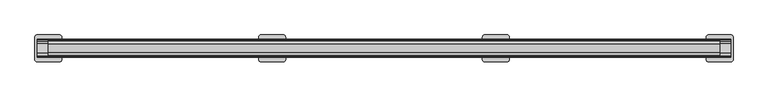
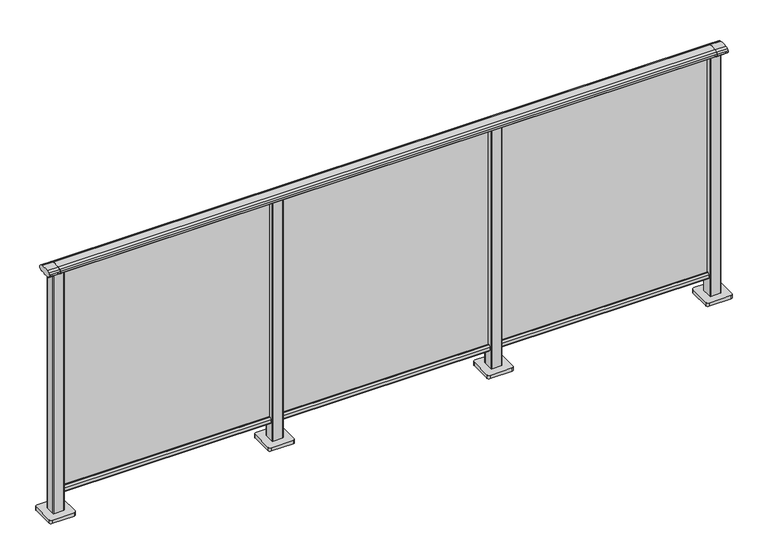
"""IFC4 building model written with IfcOpenShell, lengths in millimetres: railing geometry."""

from ifc_helpers import new_model, si_unit, point, frame, frame_2d, origin, origin_with_axes, place, context, project, spatial, polyline, circle_curve, trimmed, segment, composite_curve, outline, extrude, source, transform, mapped, element, save


def railing_486d9e39(model_context):
    return source(origin(), model_context, "Body", "SweptSolid", [
        extrude(outline(composite_curve([segment(trimmed(circle_curve(frame_2d((9095.3619413, 1153.851602)), 44.999996), [point((9106.0673858, 1197.5596459))], [point((9118.2601573, 1192.5901015))], False, "CARTESIAN"), True, "CONTINUOUS"), segment(trimmed(circle_curve(frame_2d((9109.6097194, 1177.955556)), 17.0), [point((9118.2601573, 1192.5901015))], [point((9124.1544589, 1186.7561556))], False, "CARTESIAN"), True, "CONTINUOUS"), segment(trimmed(circle_curve(frame_2d((9117.0959826, 1182.4852765)), 8.2499997), [point((9124.1544589, 1186.7561556))], [point((9124.1544535, 1178.2143885))], False, "CARTESIAN"), True, "CONTINUOUS"), segment(trimmed(circle_curve(frame_2d((9109.6097251, 1187.0150065)), 17.0), [point((9124.1544535, 1178.2143885))], [point((9118.2601665, 1172.380463))], False, "CARTESIAN"), True, "CONTINUOUS"), segment(trimmed(circle_curve(frame_2d((9095.3619413, 1211.1189571)), 44.999996), [point((9118.2601665, 1172.380463))], [point((9113.7876029, 1170.064181))], False, "CARTESIAN"), True, "CONTINUOUS"), segment(trimmed(circle_curve(frame_2d((9113.1786159, 1172.1635324)), 2.185896), [point((9113.7876029, 1170.064181))], [point((9112.9960148, 1169.9852766))], False, "CARTESIAN"), True, "CONTINUOUS"), segment(trimmed(circle_curve(frame_2d((9112.9960148, 1170.8852766)), 0.9), [point((9112.9960148, 1169.9852766))], [point((9112.0981091, 1170.8239135))], False, "CARTESIAN"), True, "CONTINUOUS"), segment(trimmed(circle_curve(frame_2d((9111.5194733, 1170.8239135)), 0.5786359), [point((9112.0981091, 1170.8239135))], [point((9111.5194733, 1170.2452777))], False, "CARTESIAN"), True, "CONTINUOUS"), segment(polyline([(9111.5194733, 1170.2452777), (9094.5751393, 1170.2452777)]), True, "CONTINUOUS"), segment(trimmed(circle_curve(frame_2d((9085.8508208, 1187.1238497)), 18.999998), [point((9094.5751393, 1170.2452777))], [point((9077.1265024, 1170.2452777))], False, "CARTESIAN"), True, "CONTINUOUS"), segment(polyline([(9077.1265024, 1170.2452777), (9060.1821348, 1170.2452777)]), True, "CONTINUOUS"), segment(trimmed(circle_curve(frame_2d((9060.1821348, 1170.8239135)), 0.5786359), [point((9060.1821348, 1170.2452777))], [point((9059.603499, 1170.8239135))], False, "CARTESIAN"), True, "CONTINUOUS"), segment(trimmed(circle_curve(frame_2d((9058.7055933, 1170.8852766)), 0.9), [point((9059.603499, 1170.8239135))], [point((9058.7055933, 1169.9852766))], False, "CARTESIAN"), True, "CONTINUOUS"), segment(trimmed(circle_curve(frame_2d((9058.5229922, 1172.1635324)), 2.185896), [point((9058.7055933, 1169.9852766))], [point((9057.9140052, 1170.064181))], False, "CARTESIAN"), True, "CONTINUOUS"), segment(trimmed(circle_curve(frame_2d((9076.3396668, 1211.1189571)), 44.999996), [point((9057.9140052, 1170.064181))], [point((9053.8767914, 1172.1264081))], False, "CARTESIAN"), True, "CONTINUOUS"), segment(trimmed(circle_curve(frame_2d((9062.082215, 1187.0150288)), 17.0), [point((9053.8767914, 1172.1264081))], [point((9047.5375128, 1178.2143675))], False, "CARTESIAN"), True, "CONTINUOUS"), segment(trimmed(circle_curve(frame_2d((9054.595971, 1182.4852765)), 8.2499997), [point((9047.5375128, 1178.2143675))], [point((9047.5375074, 1186.7561766))], False, "CARTESIAN"), True, "CONTINUOUS"), segment(trimmed(circle_curve(frame_2d((9062.0822207, 1177.9555337)), 17.0), [point((9047.5375074, 1186.7561766))], [point((9053.4317599, 1192.5900657))], False, "CARTESIAN"), True, "CONTINUOUS"), segment(trimmed(circle_curve(frame_2d((9076.3300365, 1153.851602)), 44.999996), [point((9053.4317599, 1192.5900657))], [point((9065.624592, 1197.5596459))], False, "CARTESIAN"), True, "CONTINUOUS"), segment(trimmed(circle_curve(frame_2d((9085.8459889, 1115.0000001)), 85.0), [point((9065.624592, 1197.5596459))], [point((9106.0673858, 1197.5596459))], False, "CARTESIAN"), True, "CONTINUOUS")], self_intersect=False)), frame((-408.6053075, 0.0, 0.0), z_axis=(1.0, 0.0, 0.0), x_axis=(0.0, 1.0, 0.0)), (0.0, 0.0, 1.0), 3000.0),
        extrude(outline(composite_curve([segment(polyline([(9101.5508136, 100.0), (9070.1507946, 100.0)]), True, "CONTINUOUS"), segment(trimmed(circle_curve(frame_2d((9070.1507946, 101.8)), 1.8), [point((9070.1507946, 100.0))], [point((9068.3507946, 101.8))], False, "CARTESIAN"), True, "CONTINUOUS"), segment(polyline([(9068.3507946, 101.8), (9068.3507946, 115.5269955)]), True, "CONTINUOUS"), segment(trimmed(circle_curve(frame_2d((9070.1507946, 115.5269955)), 1.8), [point((9068.3507946, 115.5269955))], [point((9068.7923399, 116.7079277))], False, "CARTESIAN"), True, "CONTINUOUS"), segment(polyline([(9068.7923399, 116.7079277), (9075.4626384, 124.3809322)]), True, "CONTINUOUS"), segment(trimmed(circle_curve(frame_2d((9076.8210931, 123.2)), 1.8), [point((9075.4626384, 124.3809322))], [point((9076.8210931, 125.0))], False, "CARTESIAN"), True, "CONTINUOUS"), segment(polyline([(9076.8210931, 125.0), (9080.5111113, 125.0), (9081.809143, 113.0), (9089.8924411, 113.0), (9091.1904978, 125.0), (9094.88054, 125.0)]), True, "CONTINUOUS"), segment(trimmed(circle_curve(frame_2d((9094.88054, 123.2)), 1.8), [point((9094.88054, 125.0))], [point((9096.2389969, 124.3809297))], False, "CARTESIAN"), True, "CONTINUOUS"), segment(polyline([(9096.2389969, 124.3809297), (9102.9092704, 116.7079252)]), True, "CONTINUOUS"), segment(trimmed(circle_curve(frame_2d((9101.5508136, 115.5269955)), 1.8), [point((9102.9092704, 116.7079252))], [point((9103.3508136, 115.5269955))], False, "CARTESIAN"), True, "CONTINUOUS"), segment(polyline([(9103.3508136, 115.5269955), (9103.3508136, 101.8)]), True, "CONTINUOUS"), segment(trimmed(circle_curve(frame_2d((9101.5508136, 101.8)), 1.8), [point((9103.3508136, 101.8))], [point((9101.5508136, 100.0))], False, "CARTESIAN"), True, "CONTINUOUS")], self_intersect=False)), frame((-408.6053075, 0.0, 0.0), z_axis=(1.0, 0.0, 0.0), x_axis=(0.0, 1.0, 0.0)), (0.0, 0.0, 1.0), 3000.0),
        extrude(outline(polyline([(-408.6053075, 9083.8508041), (-408.6053075, 9087.8508041), (2591.3946925, 9087.8508041), (2591.3946925, 9083.8508041), (-408.6053075, 9083.8508041)])), frame((0.0, 0.0, 100.0), z_axis=(0.0, 0.0, 1.0), x_axis=(1.0, 0.0, 0.0)), (0.0, 0.0, 1.0), 1070.0),
        extrude(outline(composite_curve([segment(trimmed(circle_curve(frame_2d((1568.994681, 9108.2508266)), 3.0), [point((1565.994681, 9108.2508266))], [point((1568.994681, 9111.2508266))], False, "CARTESIAN"), True, "CONTINUOUS"), segment(polyline([(1568.994681, 9111.2508266), (1613.794704, 9111.2508266)]), True, "CONTINUOUS"), segment(trimmed(circle_curve(frame_2d((1613.794704, 9108.2508266)), 3.0), [point((1613.794704, 9111.2508266))], [point((1616.794704, 9108.2508266))], False, "CARTESIAN"), True, "CONTINUOUS"), segment(polyline([(1616.794704, 9108.2508266), (1616.794704, 9063.4508036)]), True, "CONTINUOUS"), segment(trimmed(circle_curve(frame_2d((1613.794704, 9063.4508036)), 3.0), [point((1616.794704, 9063.4508036))], [point((1613.794704, 9060.4508036))], False, "CARTESIAN"), True, "CONTINUOUS"), segment(polyline([(1613.794704, 9060.4508036), (1568.994681, 9060.4508036)]), True, "CONTINUOUS"), segment(trimmed(circle_curve(frame_2d((1568.994681, 9063.4508036)), 3.0), [point((1568.994681, 9060.4508036))], [point((1565.994681, 9063.4508036))], False, "CARTESIAN"), True, "CONTINUOUS"), segment(polyline([(1565.994681, 9063.4508036), (1565.994681, 9108.2508266)]), True, "CONTINUOUS")], self_intersect=False)), frame((0.0, 0.0, 16.0), z_axis=(0.0, 0.0, 1.0), x_axis=(1.0, 0.0, 0.0)), (0.0, 0.0, 1.0), 1152.1238517),
        extrude(outline(composite_curve([segment(trimmed(circle_curve(frame_2d((1541.394681, 9135.8508151)), 10.0), [point((1531.394681, 9135.8508151))], [point((1541.394681, 9145.8508151))], False, "CARTESIAN"), True, "CONTINUOUS"), segment(polyline([(1541.394681, 9145.8508151), (1641.394681, 9145.8508151)]), True, "CONTINUOUS"), segment(trimmed(circle_curve(frame_2d((1641.394681, 9135.8508151)), 10.0), [point((1641.394681, 9145.8508151))], [point((1651.394681, 9135.8508151))], False, "CARTESIAN"), True, "CONTINUOUS"), segment(polyline([(1651.394681, 9135.8508151), (1651.394681, 9035.8508151)]), True, "CONTINUOUS"), segment(trimmed(circle_curve(frame_2d((1641.394681, 9035.8508151)), 10.0), [point((1651.394681, 9035.8508151))], [point((1641.394681, 9025.8508151))], False, "CARTESIAN"), True, "CONTINUOUS"), segment(polyline([(1641.394681, 9025.8508151), (1541.394681, 9025.8508151)]), True, "CONTINUOUS"), segment(trimmed(circle_curve(frame_2d((1541.394681, 9035.8508151)), 10.0), [point((1541.394681, 9025.8508151))], [point((1531.394681, 9035.8508151))], False, "CARTESIAN"), True, "CONTINUOUS"), segment(polyline([(1531.394681, 9035.8508151), (1531.394681, 9135.8508151)]), True, "CONTINUOUS")], self_intersect=False)), origin_with_axes(), (0.0, 0.0, 1.0), 16.0),
        extrude(outline(composite_curve([segment(trimmed(circle_curve(frame_2d((568.994681, 9108.2508266)), 3.0), [point((565.994681, 9108.2508266))], [point((568.994681, 9111.2508266))], False, "CARTESIAN"), True, "CONTINUOUS"), segment(polyline([(568.994681, 9111.2508266), (613.794704, 9111.2508266)]), True, "CONTINUOUS"), segment(trimmed(circle_curve(frame_2d((613.794704, 9108.2508266)), 3.0), [point((613.794704, 9111.2508266))], [point((616.794704, 9108.2508266))], False, "CARTESIAN"), True, "CONTINUOUS"), segment(polyline([(616.794704, 9108.2508266), (616.794704, 9063.4508036)]), True, "CONTINUOUS"), segment(trimmed(circle_curve(frame_2d((613.794704, 9063.4508036)), 3.0), [point((616.794704, 9063.4508036))], [point((613.794704, 9060.4508036))], False, "CARTESIAN"), True, "CONTINUOUS"), segment(polyline([(613.794704, 9060.4508036), (568.994681, 9060.4508036)]), True, "CONTINUOUS"), segment(trimmed(circle_curve(frame_2d((568.994681, 9063.4508036)), 3.0), [point((568.994681, 9060.4508036))], [point((565.994681, 9063.4508036))], False, "CARTESIAN"), True, "CONTINUOUS"), segment(polyline([(565.994681, 9063.4508036), (565.994681, 9108.2508266)]), True, "CONTINUOUS")], self_intersect=False)), frame((0.0, 0.0, 16.0), z_axis=(0.0, 0.0, 1.0), x_axis=(1.0, 0.0, 0.0)), (0.0, 0.0, 1.0), 1152.1238517),
        extrude(outline(composite_curve([segment(trimmed(circle_curve(frame_2d((541.394681, 9135.8508151)), 10.0), [point((531.394681, 9135.8508151))], [point((541.394681, 9145.8508151))], False, "CARTESIAN"), True, "CONTINUOUS"), segment(polyline([(541.394681, 9145.8508151), (641.394681, 9145.8508151)]), True, "CONTINUOUS"), segment(trimmed(circle_curve(frame_2d((641.394681, 9135.8508151)), 10.0), [point((641.394681, 9145.8508151))], [point((651.394681, 9135.8508151))], False, "CARTESIAN"), True, "CONTINUOUS"), segment(polyline([(651.394681, 9135.8508151), (651.394681, 9035.8508151)]), True, "CONTINUOUS"), segment(trimmed(circle_curve(frame_2d((641.394681, 9035.8508151)), 10.0), [point((651.394681, 9035.8508151))], [point((641.394681, 9025.8508151))], False, "CARTESIAN"), True, "CONTINUOUS"), segment(polyline([(641.394681, 9025.8508151), (541.394681, 9025.8508151)]), True, "CONTINUOUS"), segment(trimmed(circle_curve(frame_2d((541.394681, 9035.8508151)), 10.0), [point((541.394681, 9025.8508151))], [point((531.394681, 9035.8508151))], False, "CARTESIAN"), True, "CONTINUOUS"), segment(polyline([(531.394681, 9035.8508151), (531.394681, 9135.8508151)]), True, "CONTINUOUS")], self_intersect=False)), origin_with_axes(), (0.0, 0.0, 1.0), 16.0),
        extrude(outline(composite_curve([segment(trimmed(circle_curve(frame_2d((2568.994681, 9108.2508266)), 3.0), [point((2565.994681, 9108.2508266))], [point((2568.994681, 9111.2508266))], False, "CARTESIAN"), True, "CONTINUOUS"), segment(polyline([(2568.994681, 9111.2508266), (2613.794704, 9111.2508266)]), True, "CONTINUOUS"), segment(trimmed(circle_curve(frame_2d((2613.794704, 9108.2508266)), 3.0), [point((2613.794704, 9111.2508266))], [point((2616.794704, 9108.2508266))], False, "CARTESIAN"), True, "CONTINUOUS"), segment(polyline([(2616.794704, 9108.2508266), (2616.794704, 9063.4508036)]), True, "CONTINUOUS"), segment(trimmed(circle_curve(frame_2d((2613.794704, 9063.4508036)), 3.0), [point((2616.794704, 9063.4508036))], [point((2613.794704, 9060.4508036))], False, "CARTESIAN"), True, "CONTINUOUS"), segment(polyline([(2613.794704, 9060.4508036), (2568.994681, 9060.4508036)]), True, "CONTINUOUS"), segment(trimmed(circle_curve(frame_2d((2568.994681, 9063.4508036)), 3.0), [point((2568.994681, 9060.4508036))], [point((2565.994681, 9063.4508036))], False, "CARTESIAN"), True, "CONTINUOUS"), segment(polyline([(2565.994681, 9063.4508036), (2565.994681, 9108.2508266)]), True, "CONTINUOUS")], self_intersect=False)), frame((0.0, 0.0, 16.0), z_axis=(0.0, 0.0, 1.0), x_axis=(1.0, 0.0, 0.0)), (0.0, 0.0, 1.0), 1152.1238517),
        extrude(outline(composite_curve([segment(trimmed(circle_curve(frame_2d((2541.394681, 9135.8508151)), 10.0), [point((2531.394681, 9135.8508151))], [point((2541.394681, 9145.8508151))], False, "CARTESIAN"), True, "CONTINUOUS"), segment(polyline([(2541.394681, 9145.8508151), (2641.394681, 9145.8508151)]), True, "CONTINUOUS"), segment(trimmed(circle_curve(frame_2d((2641.394681, 9135.8508151)), 10.0), [point((2641.394681, 9145.8508151))], [point((2651.394681, 9135.8508151))], False, "CARTESIAN"), True, "CONTINUOUS"), segment(polyline([(2651.394681, 9135.8508151), (2651.394681, 9035.8508151)]), True, "CONTINUOUS"), segment(trimmed(circle_curve(frame_2d((2641.394681, 9035.8508151)), 10.0), [point((2651.394681, 9035.8508151))], [point((2641.394681, 9025.8508151))], False, "CARTESIAN"), True, "CONTINUOUS"), segment(polyline([(2641.394681, 9025.8508151), (2541.394681, 9025.8508151)]), True, "CONTINUOUS"), segment(trimmed(circle_curve(frame_2d((2541.394681, 9035.8508151)), 10.0), [point((2541.394681, 9025.8508151))], [point((2531.394681, 9035.8508151))], False, "CARTESIAN"), True, "CONTINUOUS"), segment(polyline([(2531.394681, 9035.8508151), (2531.394681, 9135.8508151)]), True, "CONTINUOUS")], self_intersect=False)), origin_with_axes(), (0.0, 0.0, 1.0), 16.0),
        extrude(outline(composite_curve([segment(trimmed(circle_curve(frame_2d((9095.3619413, 1153.7397763)), 44.999996), [point((9106.0673858, 1197.4478202))], [point((9118.2601573, 1192.4782759))], False, "CARTESIAN"), True, "CONTINUOUS"), segment(trimmed(circle_curve(frame_2d((9109.6097194, 1177.8437303)), 17.0), [point((9118.2601573, 1192.4782759))], [point((9124.1544589, 1186.64433))], False, "CARTESIAN"), True, "CONTINUOUS"), segment(trimmed(circle_curve(frame_2d((9117.0959826, 1182.3734509)), 8.2499997), [point((9124.1544589, 1186.64433))], [point((9124.1544535, 1178.1025629))], False, "CARTESIAN"), True, "CONTINUOUS"), segment(trimmed(circle_curve(frame_2d((9109.6097251, 1186.9031808)), 17.0), [point((9124.1544535, 1178.1025629))], [point((9118.2601665, 1172.2686373))], False, "CARTESIAN"), True, "CONTINUOUS"), segment(trimmed(circle_curve(frame_2d((9095.3619413, 1211.0071314)), 44.999996), [point((9118.2601665, 1172.2686373))], [point((9113.7876029, 1169.9523554))], False, "CARTESIAN"), True, "CONTINUOUS"), segment(trimmed(circle_curve(frame_2d((9113.1786159, 1172.0517067)), 2.185896), [point((9113.7876029, 1169.9523554))], [point((9112.9960148, 1169.873451))], False, "CARTESIAN"), True, "CONTINUOUS"), segment(trimmed(circle_curve(frame_2d((9112.9960148, 1170.773451)), 0.9), [point((9112.9960148, 1169.873451))], [point((9112.0981091, 1170.7120879))], False, "CARTESIAN"), True, "CONTINUOUS"), segment(trimmed(circle_curve(frame_2d((9111.5194733, 1170.7120879)), 0.5786359), [point((9112.0981091, 1170.7120879))], [point((9111.5194733, 1170.133452))], False, "CARTESIAN"), True, "CONTINUOUS"), segment(polyline([(9111.5194733, 1170.133452), (9094.5751393, 1170.133452)]), True, "CONTINUOUS"), segment(trimmed(circle_curve(frame_2d((9085.8508208, 1187.012024)), 18.999998), [point((9094.5751393, 1170.133452))], [point((9077.1265024, 1170.133452))], False, "CARTESIAN"), True, "CONTINUOUS"), segment(polyline([(9077.1265024, 1170.133452), (9060.1821348, 1170.133452)]), True, "CONTINUOUS"), segment(trimmed(circle_curve(frame_2d((9060.1821348, 1170.7120879)), 0.5786359), [point((9060.1821348, 1170.133452))], [point((9059.603499, 1170.7120879))], False, "CARTESIAN"), True, "CONTINUOUS"), segment(trimmed(circle_curve(frame_2d((9058.7055933, 1170.773451)), 0.9), [point((9059.603499, 1170.7120879))], [point((9058.7055933, 1169.873451))], False, "CARTESIAN"), True, "CONTINUOUS"), segment(trimmed(circle_curve(frame_2d((9058.5229922, 1172.0517067)), 2.185896), [point((9058.7055933, 1169.873451))], [point((9057.9140052, 1169.9523554))], False, "CARTESIAN"), True, "CONTINUOUS"), segment(trimmed(circle_curve(frame_2d((9076.3396668, 1211.0071314)), 44.999996), [point((9057.9140052, 1169.9523554))], [point((9053.8767914, 1172.0145825))], False, "CARTESIAN"), True, "CONTINUOUS"), segment(trimmed(circle_curve(frame_2d((9062.082215, 1186.9032031)), 17.0), [point((9053.8767914, 1172.0145825))], [point((9047.5375128, 1178.1025419))], False, "CARTESIAN"), True, "CONTINUOUS"), segment(trimmed(circle_curve(frame_2d((9054.595971, 1182.3734509)), 8.2499997), [point((9047.5375128, 1178.1025419))], [point((9047.5375074, 1186.644351))], False, "CARTESIAN"), True, "CONTINUOUS"), segment(trimmed(circle_curve(frame_2d((9062.0822207, 1177.843708)), 17.0), [point((9047.5375074, 1186.644351))], [point((9053.4317599, 1192.4782401))], False, "CARTESIAN"), True, "CONTINUOUS"), segment(trimmed(circle_curve(frame_2d((9076.3300365, 1153.7397763)), 44.999996), [point((9053.4317599, 1192.4782401))], [point((9065.624592, 1197.4478202))], False, "CARTESIAN"), True, "CONTINUOUS"), segment(trimmed(circle_curve(frame_2d((9085.8459889, 1114.8881745)), 85.0), [point((9065.624592, 1197.4478202))], [point((9106.0673858, 1197.4478202))], False, "CARTESIAN"), True, "CONTINUOUS")], self_intersect=False)), frame((2591.3946925, 0.0, 0.0), z_axis=(1.0, 0.0, 0.0), x_axis=(0.0, 1.0, 0.0)), (0.0, 0.0, 1.0), 50.0),
        extrude(outline(composite_curve([segment(trimmed(circle_curve(frame_2d((-431.005319, 9108.2508266)), 3.0), [point((-434.005319, 9108.2508266))], [point((-431.005319, 9111.2508266))], False, "CARTESIAN"), True, "CONTINUOUS"), segment(polyline([(-431.005319, 9111.2508266), (-386.205296, 9111.2508266)]), True, "CONTINUOUS"), segment(trimmed(circle_curve(frame_2d((-386.205296, 9108.2508266)), 3.0), [point((-386.205296, 9111.2508266))], [point((-383.205296, 9108.2508266))], False, "CARTESIAN"), True, "CONTINUOUS"), segment(polyline([(-383.205296, 9108.2508266), (-383.205296, 9063.4508036)]), True, "CONTINUOUS"), segment(trimmed(circle_curve(frame_2d((-386.205296, 9063.4508036)), 3.0), [point((-383.205296, 9063.4508036))], [point((-386.205296, 9060.4508036))], False, "CARTESIAN"), True, "CONTINUOUS"), segment(polyline([(-386.205296, 9060.4508036), (-431.005319, 9060.4508036)]), True, "CONTINUOUS"), segment(trimmed(circle_curve(frame_2d((-431.005319, 9063.4508036)), 3.0), [point((-431.005319, 9060.4508036))], [point((-434.005319, 9063.4508036))], False, "CARTESIAN"), True, "CONTINUOUS"), segment(polyline([(-434.005319, 9063.4508036), (-434.005319, 9108.2508266)]), True, "CONTINUOUS")], self_intersect=False)), frame((0.0, 0.0, 16.0), z_axis=(0.0, 0.0, 1.0), x_axis=(1.0, 0.0, 0.0)), (0.0, 0.0, 1.0), 1152.1238517),
        extrude(outline(composite_curve([segment(trimmed(circle_curve(frame_2d((-458.605319, 9135.8508151)), 10.0), [point((-468.605319, 9135.8508151))], [point((-458.605319, 9145.8508151))], False, "CARTESIAN"), True, "CONTINUOUS"), segment(polyline([(-458.605319, 9145.8508151), (-358.605319, 9145.8508151)]), True, "CONTINUOUS"), segment(trimmed(circle_curve(frame_2d((-358.605319, 9135.8508151)), 10.0), [point((-358.605319, 9145.8508151))], [point((-348.605319, 9135.8508151))], False, "CARTESIAN"), True, "CONTINUOUS"), segment(polyline([(-348.605319, 9135.8508151), (-348.605319, 9035.8508151)]), True, "CONTINUOUS"), segment(trimmed(circle_curve(frame_2d((-358.605319, 9035.8508151)), 10.0), [point((-348.605319, 9035.8508151))], [point((-358.605319, 9025.8508151))], False, "CARTESIAN"), True, "CONTINUOUS"), segment(polyline([(-358.605319, 9025.8508151), (-458.605319, 9025.8508151)]), True, "CONTINUOUS"), segment(trimmed(circle_curve(frame_2d((-458.605319, 9035.8508151)), 10.0), [point((-458.605319, 9025.8508151))], [point((-468.605319, 9035.8508151))], False, "CARTESIAN"), True, "CONTINUOUS"), segment(polyline([(-468.605319, 9035.8508151), (-468.605319, 9135.8508151)]), True, "CONTINUOUS")], self_intersect=False)), origin_with_axes(), (0.0, 0.0, 1.0), 16.0),
        extrude(outline(composite_curve([segment(trimmed(circle_curve(frame_2d((9095.3619413, 1153.7397763)), 44.999996), [point((9106.0673858, 1197.4478202))], [point((9118.2601573, 1192.4782759))], False, "CARTESIAN"), True, "CONTINUOUS"), segment(trimmed(circle_curve(frame_2d((9109.6097194, 1177.8437303)), 17.0), [point((9118.2601573, 1192.4782759))], [point((9124.1544589, 1186.64433))], False, "CARTESIAN"), True, "CONTINUOUS"), segment(trimmed(circle_curve(frame_2d((9117.0959826, 1182.3734509)), 8.2499997), [point((9124.1544589, 1186.64433))], [point((9124.1544535, 1178.1025629))], False, "CARTESIAN"), True, "CONTINUOUS"), segment(trimmed(circle_curve(frame_2d((9109.6097251, 1186.9031808)), 17.0), [point((9124.1544535, 1178.1025629))], [point((9118.2601665, 1172.2686373))], False, "CARTESIAN"), True, "CONTINUOUS"), segment(trimmed(circle_curve(frame_2d((9095.3619413, 1211.0071314)), 44.999996), [point((9118.2601665, 1172.2686373))], [point((9113.7876029, 1169.9523554))], False, "CARTESIAN"), True, "CONTINUOUS"), segment(trimmed(circle_curve(frame_2d((9113.1786159, 1172.0517067)), 2.185896), [point((9113.7876029, 1169.9523554))], [point((9112.9960148, 1169.873451))], False, "CARTESIAN"), True, "CONTINUOUS"), segment(trimmed(circle_curve(frame_2d((9112.9960148, 1170.773451)), 0.9), [point((9112.9960148, 1169.873451))], [point((9112.0981091, 1170.7120879))], False, "CARTESIAN"), True, "CONTINUOUS"), segment(trimmed(circle_curve(frame_2d((9111.5194733, 1170.7120879)), 0.5786359), [point((9112.0981091, 1170.7120879))], [point((9111.5194733, 1170.133452))], False, "CARTESIAN"), True, "CONTINUOUS"), segment(polyline([(9111.5194733, 1170.133452), (9094.5751393, 1170.133452)]), True, "CONTINUOUS"), segment(trimmed(circle_curve(frame_2d((9085.8508208, 1187.012024)), 18.999998), [point((9094.5751393, 1170.133452))], [point((9077.1265024, 1170.133452))], False, "CARTESIAN"), True, "CONTINUOUS"), segment(polyline([(9077.1265024, 1170.133452), (9060.1821348, 1170.133452)]), True, "CONTINUOUS"), segment(trimmed(circle_curve(frame_2d((9060.1821348, 1170.7120879)), 0.5786359), [point((9060.1821348, 1170.133452))], [point((9059.603499, 1170.7120879))], False, "CARTESIAN"), True, "CONTINUOUS"), segment(trimmed(circle_curve(frame_2d((9058.7055933, 1170.773451)), 0.9), [point((9059.603499, 1170.7120879))], [point((9058.7055933, 1169.873451))], False, "CARTESIAN"), True, "CONTINUOUS"), segment(trimmed(circle_curve(frame_2d((9058.5229922, 1172.0517067)), 2.185896), [point((9058.7055933, 1169.873451))], [point((9057.9140052, 1169.9523554))], False, "CARTESIAN"), True, "CONTINUOUS"), segment(trimmed(circle_curve(frame_2d((9076.3396668, 1211.0071314)), 44.999996), [point((9057.9140052, 1169.9523554))], [point((9053.8767914, 1172.0145825))], False, "CARTESIAN"), True, "CONTINUOUS"), segment(trimmed(circle_curve(frame_2d((9062.082215, 1186.9032031)), 17.0), [point((9053.8767914, 1172.0145825))], [point((9047.5375128, 1178.1025419))], False, "CARTESIAN"), True, "CONTINUOUS"), segment(trimmed(circle_curve(frame_2d((9054.595971, 1182.3734509)), 8.2499997), [point((9047.5375128, 1178.1025419))], [point((9047.5375074, 1186.644351))], False, "CARTESIAN"), True, "CONTINUOUS"), segment(trimmed(circle_curve(frame_2d((9062.0822207, 1177.843708)), 17.0), [point((9047.5375074, 1186.644351))], [point((9053.4317599, 1192.4782401))], False, "CARTESIAN"), True, "CONTINUOUS"), segment(trimmed(circle_curve(frame_2d((9076.3300365, 1153.7397763)), 44.999996), [point((9053.4317599, 1192.4782401))], [point((9065.624592, 1197.4478202))], False, "CARTESIAN"), True, "CONTINUOUS"), segment(trimmed(circle_curve(frame_2d((9085.8459889, 1114.8881745)), 85.0), [point((9065.624592, 1197.4478202))], [point((9106.0673858, 1197.4478202))], False, "CARTESIAN"), True, "CONTINUOUS")], self_intersect=False)), frame((-458.6053075, 0.0, 0.0), z_axis=(1.0, 0.0, 0.0), x_axis=(0.0, 1.0, 0.0)), (0.0, 0.0, 1.0), 50.0),
    ])


if __name__ == "__main__":
    model = new_model("IFC4")
    model_context = context("Model", 3, world=origin())
    ifc_project = project(units=[si_unit("LENGTHUNIT", "METRE", prefix="MILLI")], contexts=[model_context])
    site = spatial("IfcSite", under=ifc_project)
    building = spatial("IfcBuilding", under=site)
    placement = place(None, origin())
    railing_shape = railing_486d9e39(model_context)
    element("IfcRailing", 1, at=placement, inside=building, context=model_context, shape_type="MappedRepresentation", body=[
        mapped(railing_shape, transform((0.0, 0.0, 0.0), x_axis=(1.0, 0.0, 0.0), y_axis=(0.0, 1.0, 0.0), z_axis=(0.0, 0.0, 1.0))),
    ])
    save(model, "model.ifc")
